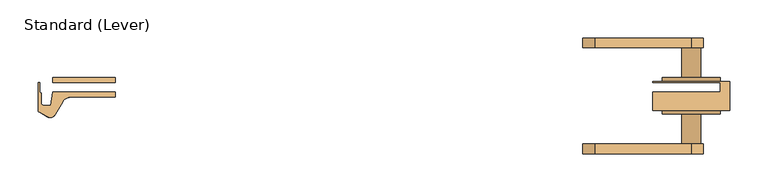
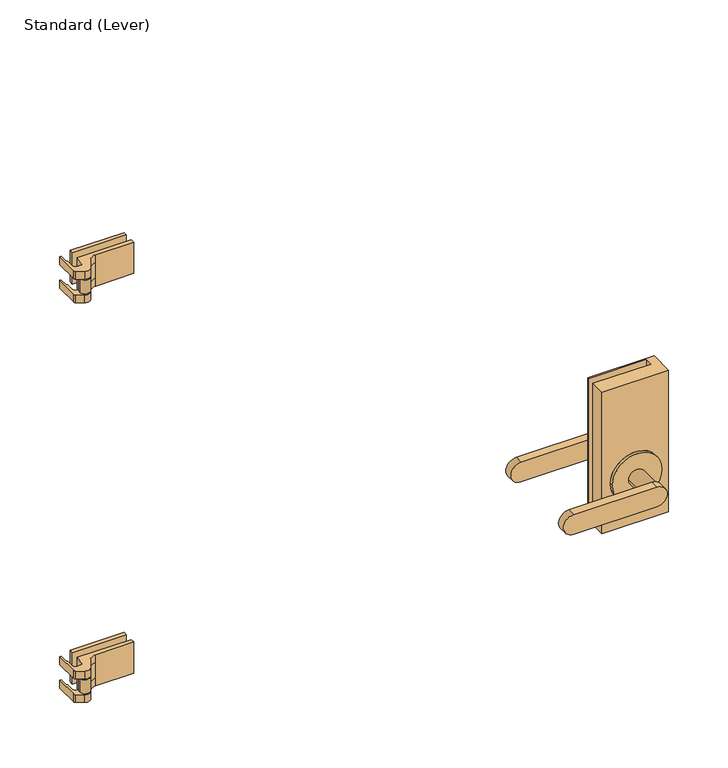
"""IFC4 building model written with IfcOpenShell, lengths in millimetres: door geometry, Standard (Lever)."""

from ifc_helpers import new_model, si_unit, frame, origin, place, context, project, spatial, polyline, circle_curve, outline, extrude, source, transform, mapped, element, save
from ifc_brep_helpers import plane_surface, cylinder_surface, revolved_surface, advanced_brep


def standard_lever_b165e887(model_context):
    return source(origin(), model_context, "Body", "SolidModel", [
        advanced_brep(
        [(452.4375, -29.36875, 1117.6), (452.4375, 8.73125, 1117.6), (350.8375, 8.73125, 1117.6), (350.8375, 7.14375, 1117.6), (439.7375, 7.14375, 1117.6), (439.7375, -5.55625, 1117.6), (350.8375, -5.55625, 1117.6), (350.8375, -29.36875, 1117.6), (452.4375, -29.36875, 889.0), (350.8375, -29.36875, 889.0), (350.8375, -5.55625, 889.0), (439.7375, -5.55625, 889.0), (439.7375, 7.14375, 889.0), (350.8375, 7.14375, 889.0), (350.8375, 8.73125, 889.0), (452.4375, 8.73125, 889.0), (439.7375, -29.36875, 965.2), (363.5375, -29.36875, 965.2), (439.7375, 13.49375, 965.2), (363.5375, 13.49375, 965.2), (388.9375, 13.49375, 965.2), (414.3375, 13.49375, 965.2), (439.7375, 8.73125, 965.2), (363.5375, 8.73125, 965.2), (414.3375, 53.18125, 965.2), (388.9375, 53.18125, 965.2), (274.6375, 65.88125, 949.325), (274.6375, 65.88125, 981.075), (401.6375, 65.88125, 981.075), (401.6375, 65.88125, 949.325), (274.6375, 53.18125, 949.325), (401.6375, 53.18125, 949.325), (401.6375, 53.18125, 981.075), (274.6375, 53.18125, 981.075), (414.3375, -34.13125, 965.2), (414.3375, -73.81875, 965.2), (388.9375, -73.81875, 965.2), (388.9375, -34.13125, 965.2), (439.7375, -34.13125, 965.2), (363.5375, -34.13125, 965.2), (401.6375, -73.81875, 949.325), (274.6375, -73.81875, 949.325), (274.6375, -73.81875, 981.075), (401.6375, -73.81875, 981.075), (401.6375, -86.51875, 949.325), (401.6375, -86.51875, 981.075), (274.6375, -86.51875, 981.075), (274.6375, -86.51875, 949.325)],
        [
            (0, 1),
            (1, 2),
            (2, 3),
            (3, 4),
            (4, 5),
            (5, 6),
            (6, 7),
            (7, 0),
            (8, 9),
            (9, 10),
            (10, 11),
            (11, 12),
            (12, 13),
            (13, 14),
            (14, 15),
            (15, 8),
            (0, 8),
            (15, 1),
            (5, 11),
            (10, 6),
            (9, 7),
            (16, 17, circle_curve(frame((401.6375, -29.36875, 965.2), z_axis=(0.0, 1.0, 0.0), x_axis=(-1.0, 0.0, 0.0)), 38.1)),
            (17, 16, circle_curve(frame((401.6375, -29.36875, 965.2), z_axis=(0.0, 1.0, 0.0), x_axis=(-1.0, 0.0, 0.0)), 38.1)),
            (2, 14),
            (13, 3),
            (12, 4),
            (18, 19, circle_curve(frame((401.6375, 13.49375, 965.2), z_axis=(0.0, 1.0, 0.0), x_axis=(-1.0, 0.0, 0.0)), 38.1)),
            (19, 18, circle_curve(frame((401.6375, 13.49375, 965.2), z_axis=(0.0, 1.0, 0.0), x_axis=(-1.0, 0.0, 0.0)), 38.1)),
            (20, 21, circle_curve(frame((401.6375, 13.49375, 965.2), z_axis=(0.0, -1.0, 0.0), x_axis=(-1.0, 0.0, 0.0)), 12.7)),
            (21, 20, circle_curve(frame((401.6375, 13.49375, 965.2), z_axis=(0.0, -1.0, 0.0), x_axis=(-1.0, 0.0, 0.0)), 12.7)),
            (18, 22),
            (22, 23, circle_curve(frame((401.6375, 8.73125, 965.2), z_axis=(0.0, 1.0, 0.0), x_axis=(-1.0, 0.0, 0.0)), 38.1)),
            (23, 19),
            (23, 22, circle_curve(frame((401.6375, 8.73125, 965.2), z_axis=(0.0, 1.0, 0.0), x_axis=(-1.0, 0.0, 0.0)), 38.1)),
            (24, 21),
            (20, 25),
            (25, 24, circle_curve(frame((401.6375, 53.18125, 965.2), z_axis=(0.0, -1.0, 0.0), x_axis=(-1.0, 0.0, 0.0)), 12.7)),
            (24, 25, circle_curve(frame((401.6375, 53.18125, 965.2), z_axis=(0.0, -1.0, 0.0), x_axis=(-1.0, 0.0, 0.0)), 12.7)),
            (26, 27, circle_curve(frame((274.6375, 65.88125, 965.2), z_axis=(0.0, 1.0, 0.0), x_axis=(-1.0, 0.0, 0.0)), 15.875)),
            (27, 28),
            (28, 29, circle_curve(frame((401.6375, 65.88125, 965.2), z_axis=(0.0, 1.0, 0.0), x_axis=(-1.0, 0.0, 0.0)), 15.875)),
            (29, 26),
            (30, 31),
            (31, 32, circle_curve(frame((401.6375, 53.18125, 965.2), z_axis=(0.0, -1.0, 0.0), x_axis=(-1.0, 0.0, 0.0)), 15.875)),
            (32, 33),
            (33, 30, circle_curve(frame((274.6375, 53.18125, 965.2), z_axis=(0.0, -1.0, 0.0), x_axis=(-1.0, 0.0, 0.0)), 15.875)),
            (26, 30),
            (33, 27),
            (32, 28),
            (31, 29),
            (34, 35),
            (35, 36, circle_curve(frame((401.6375, -73.81875, 965.2), z_axis=(0.0, 1.0, 0.0), x_axis=(-1.0, 0.0, 0.0)), 12.7)),
            (36, 37),
            (37, 34, circle_curve(frame((401.6375, -34.13125, 965.2), z_axis=(0.0, -1.0, 0.0), x_axis=(-1.0, 0.0, 0.0)), 12.7)),
            (34, 37, circle_curve(frame((401.6375, -34.13125, 965.2), z_axis=(0.0, -1.0, 0.0), x_axis=(-1.0, 0.0, 0.0)), 12.7)),
            (36, 35, circle_curve(frame((401.6375, -73.81875, 965.2), z_axis=(0.0, 1.0, 0.0), x_axis=(-1.0, 0.0, 0.0)), 12.7)),
            (38, 39, circle_curve(frame((401.6375, -34.13125, 965.2), z_axis=(0.0, -1.0, 0.0), x_axis=(-1.0, 0.0, 0.0)), 38.1)),
            (39, 38, circle_curve(frame((401.6375, -34.13125, 965.2), z_axis=(0.0, -1.0, 0.0), x_axis=(-1.0, 0.0, 0.0)), 38.1)),
            (39, 17),
            (16, 38),
            (40, 41),
            (41, 42, circle_curve(frame((274.6375, -73.81875, 965.2), z_axis=(0.0, 1.0, 0.0), x_axis=(-1.0, 0.0, 0.0)), 15.875)),
            (42, 43),
            (43, 40, circle_curve(frame((401.6375, -73.81875, 965.2), z_axis=(0.0, 1.0, 0.0), x_axis=(-1.0, 0.0, 0.0)), 15.875)),
            (44, 45, circle_curve(frame((401.6375, -86.51875, 965.2), z_axis=(0.0, -1.0, 0.0), x_axis=(-1.0, 0.0, 0.0)), 15.875)),
            (45, 46),
            (46, 47, circle_curve(frame((274.6375, -86.51875, 965.2), z_axis=(0.0, -1.0, 0.0), x_axis=(-1.0, 0.0, 0.0)), 15.875)),
            (47, 44),
            (40, 44),
            (47, 41),
            (46, 42),
            (45, 43),
        ],
        [
            plane_surface(frame((452.4375, -117.2130478, 1117.6), z_axis=(0.0, 0.0, 1.0), x_axis=(0.0, 1.0, 0.0))),
            plane_surface(frame((452.4375, -117.2130478, 889.0), z_axis=(0.0, 0.0, -1.0), x_axis=(0.0, -1.0, 0.0))),
            plane_surface(frame((452.4375, -29.36875, 1117.6), z_axis=(1.0, 0.0, 0.0), x_axis=(0.0, 0.0, -1.0))),
            plane_surface(frame((439.7375, -5.55625, 1117.6), z_axis=(0.0, 1.0, 0.0), x_axis=(0.0, 0.0, -1.0))),
            plane_surface(frame((350.8375, -5.55625, 1117.6), z_axis=(-1.0, 0.0, 0.0), x_axis=(0.0, 0.0, -1.0))),
            plane_surface(frame((350.8375, -29.36875, 1117.6), z_axis=(0.0, -1.0, 0.0), x_axis=(0.0, 0.0, -1.0))),
            plane_surface(frame((350.8375, 8.73125, 1117.6), z_axis=(-1.0, 0.0, 0.0), x_axis=(0.0, 0.0, -1.0))),
            plane_surface(frame((350.8375, 7.14375, 1117.6), z_axis=(0.0, -1.0, 0.0), x_axis=(0.0, 0.0, -1.0))),
            plane_surface(frame((363.5375, 13.49375, 965.2), z_axis=(0.0, 1.0, 0.0), x_axis=(0.0, 0.0, 1.0))),
            cylinder_surface(frame((401.6375, 8.73125, 965.2), z_axis=(0.0, 1.0, 0.0), x_axis=(-1.0, 0.0, 0.0)), 38.1),
            cylinder_surface(frame((401.6375, 13.49375, 965.2), z_axis=(0.0, 1.0, 0.0), x_axis=(-1.0, 0.0, 0.0)), 12.7),
            plane_surface(frame((258.7625, 65.88125, 965.2), z_axis=(0.0, 1.0, 0.0), x_axis=(0.0, 0.0, 1.0))),
            plane_surface(frame((258.7625, 53.18125, 965.2), z_axis=(0.0, -1.0, 0.0), x_axis=(0.0, 0.0, -1.0))),
            cylinder_surface(frame((274.6375, 53.18125, 965.2), z_axis=(0.0, 1.0, 0.0), x_axis=(-1.0, 0.0, 0.0)), 15.875),
            plane_surface(frame((274.6375, 65.88125, 981.075), z_axis=(0.0, 0.0, 1.0), x_axis=(0.0, -1.0, 0.0))),
            cylinder_surface(frame((401.6375, 53.18125, 965.2), z_axis=(0.0, 1.0, 0.0), x_axis=(-1.0, 0.0, 0.0)), 15.875),
            plane_surface(frame((401.6375, 65.88125, 949.325), z_axis=(0.0, 0.0, -1.0), x_axis=(0.0, -1.0, 0.0))),
            cylinder_surface(frame((401.6375, -73.81875, 965.2), z_axis=(0.0, 1.0, 0.0), x_axis=(-1.0, 0.0, 0.0)), 12.7),
            plane_surface(frame((363.5375, -34.13125, 965.2), z_axis=(0.0, -1.0, 0.0), x_axis=(0.0, 0.0, -1.0))),
            cylinder_surface(frame((401.6375, -34.13125, 965.2), z_axis=(0.0, 1.0, 0.0), x_axis=(-1.0, 0.0, 0.0)), 38.1),
            plane_surface(frame((401.6375, -73.81875, 949.325), z_axis=(0.0, 1.0, 0.0), x_axis=(-1.0, 0.0, 0.0))),
            plane_surface(frame((401.6375, -86.51875, 949.325), z_axis=(0.0, -1.0, 0.0), x_axis=(1.0, 0.0, 0.0))),
            plane_surface(frame((401.6375, -73.81875, 949.325), z_axis=(0.0, 0.0, -1.0), x_axis=(0.0, -1.0, 0.0))),
            cylinder_surface(frame((274.6375, -86.51875, 965.2), z_axis=(0.0, 1.0, 0.0), x_axis=(-1.0, 0.0, 0.0)), 15.875),
            plane_surface(frame((274.6375, -73.81875, 981.075), z_axis=(0.0, 0.0, 1.0), x_axis=(0.0, -1.0, 0.0))),
            cylinder_surface(frame((401.6375, -86.51875, 965.2), z_axis=(0.0, 1.0, 0.0), x_axis=(-1.0, 0.0, 0.0)), 15.875),
            plane_surface(frame((452.4375, 8.73125, 1117.6), z_axis=(0.0, 1.0, 0.0), x_axis=(0.0, 0.0, -1.0))),
            plane_surface(frame((439.7375, 7.14375, 1117.6), z_axis=(-1.0, 0.0, 0.0), x_axis=(0.0, 0.0, -1.0))),
        ],
        [
            (0, [[1, 2, 3, 4, 5, 6, 7, 8]]),
            (1, [[9, 10, 11, 12, 13, 14, 15, 16]]),
            (2, [[-1, 17, -16, 18]]),
            (3, [[-6, 19, -11, 20]]),
            (4, [[-7, -20, -10, 21]]),
            (5, [[-8, -21, -9, -17], [22, 23]]),
            (6, [[-3, 24, -14, 25]]),
            (7, [[-4, -25, -13, 26]]),
            (8, [[27, 28], [29, 30]]),
            (9, [[-27, 31, 32, 33]]),
            (9, [[-28, -33, 34, -31]]),
            (10, [[35, -29, 36, 37]]),
            (10, [[-35, 38, -36, -30]]),
            (11, [[39, 40, 41, 42]]),
            (12, [[43, 44, 45, 46], [-37, -38]]),
            (13, [[-39, 47, -46, 48]]),
            (14, [[-40, -48, -45, 49]]),
            (15, [[-41, -49, -44, 50]]),
            (16, [[-42, -50, -43, -47]]),
            (17, [[51, 52, 53, 54]]),
            (17, [[-51, 55, -53, 56]]),
            (18, [[57, 58], [-54, -55]]),
            (19, [[-58, 59, -22, 60]]),
            (19, [[-57, -60, -23, -59]]),
            (20, [[61, 62, 63, 64], [-52, -56]]),
            (21, [[65, 66, 67, 68]]),
            (22, [[-61, 69, -68, 70]]),
            (23, [[-62, -70, -67, 71]]),
            (24, [[-63, -71, -66, 72]]),
            (25, [[-64, -72, -65, -69]]),
            (26, [[-2, -18, -15, -24], [-32, -34]]),
            (27, [[-5, -26, -12, -19]]),
        ],
    ),
        advanced_brep(
        [(-440.3328125, -23.0182831, 1597.025), (-450.0245, -23.0182831, 1597.025), (-453.1995, -19.8432831, 1597.025), (-453.1995, -6.710628, 1597.025), (-455.19975, -5.5557831, 1597.025), (-455.19975, 7.1442169, 1597.025), (-457.2, 7.1442169, 1597.025), (-457.2, -29.122696, 1597.025), (-455.6125, -31.8723266, 1597.025), (-445.29375, -37.8298597, 1597.025), (-434.4509234, -34.9245331, 1597.025), (-424.8274856, -18.25625, 1597.025), (-413.828963, -11.90625, 1597.025), (-355.6, -11.90625, 1597.025), (-355.6, -5.55625, 1597.025), (-438.1500584, -5.55625, 1597.025), (-440.3404743, -23.0795774, 1584.325), (-434.4509234, -34.9245331, 1584.325), (-445.29375, -37.8298597, 1584.325), (-455.6125, -31.8723266, 1584.325), (-457.2, -29.122696, 1584.325), (-457.2, 7.1442169, 1584.325), (-455.19975, 7.1442169, 1584.325), (-455.19975, -5.5557831, 1584.325), (-453.1995, -6.710628, 1584.325), (-453.1995, -19.8432831, 1584.325), (-450.0245, -23.0182831, 1584.325), (-438.1500584, -5.55625, 1546.225), (-440.3328125, -23.0182831, 1546.225), (-440.3328125, -23.0182831, 1558.925), (-440.3404743, -23.0795774, 1560.5125), (-440.3404743, -23.0795774, 1582.7375), (-355.6, -5.55625, 1546.225), (-355.6, -11.90625, 1546.225), (-413.828963, -11.90625, 1584.325), (-413.828963, -11.90625, 1558.925), (-413.828963, -11.90625, 1546.225), (-424.8274856, -18.25625, 1584.325), (-434.4509234, -34.9245331, 1582.7375), (-434.4509234, -34.9245331, 1560.5125), (-434.4509234, -34.9245331, 1558.925), (-434.4509234, -34.9245331, 1546.225), (-424.8274856, -18.25625, 1546.225), (-424.8274856, -18.25625, 1558.925), (-433.3875, -30.9557831, 1582.7375), (-433.3875, -30.9557831, 1560.5125), (-450.0245, -23.0182831, 1558.925), (-453.1995, -19.8432831, 1558.925), (-453.1995, -6.710628, 1558.925), (-455.19975, -5.5557831, 1558.925), (-455.19975, 7.1442169, 1558.925), (-457.2, 7.1442169, 1558.925), (-457.2, -29.122696, 1558.925), (-455.6125, -31.8723266, 1558.925), (-445.29375, -37.8298597, 1558.925), (-445.29375, -37.8298597, 1546.225), (-455.6125, -31.8723266, 1546.225), (-457.2, -29.122696, 1546.225), (-457.2, 7.1442169, 1546.225), (-455.19975, 7.1442169, 1546.225), (-455.19975, -5.5557831, 1546.225), (-453.1995, -6.710628, 1546.225), (-453.1995, -19.8432831, 1546.225), (-450.0245, -23.0182831, 1546.225), (-449.2625, -30.9557831, 1582.7375), (-444.5, -30.9557831, 1582.7375), (-438.15, -30.9557831, 1582.7375), (-449.2625, -30.9557831, 1560.5125), (-444.5, -30.9557831, 1560.5125), (-438.15, -30.9557831, 1560.5125)],
        [
            (0, 1),
            (1, 2, circle_curve(frame((-450.0245, -19.8432831, 1597.025), z_axis=(0.0, 0.0, -1.0), x_axis=(-1.0, 0.0, 0.0)), 3.175)),
            (2, 3),
            (3, 4),
            (4, 5),
            (5, 6),
            (6, 7),
            (7, 8, circle_curve(frame((-454.025, -29.122696, 1597.025), z_axis=(0.0, 0.0, 1.0), x_axis=(-0.5000000000000575, -0.8660254037844055, 0.0)), 3.175)),
            (8, 9),
            (9, 10, circle_curve(frame((-441.325, -30.9557831, 1597.025), z_axis=(0.0, 0.0, 1.0), x_axis=(0.0, 1.0, 0.0)), 7.9375)),
            (10, 11),
            (11, 12, circle_curve(frame((-413.828963, -24.60625, 1597.025), z_axis=(0.0, 0.0, -1.0), x_axis=(0.0, 1.0, 0.0)), 12.7)),
            (12, 13),
            (13, 14),
            (14, 15),
            (15, 0),
            (16, 17, circle_curve(frame((-441.325, -30.9557831, 1584.325), z_axis=(0.0, 0.0, -1.0), x_axis=(0.0, 1.0, 0.0)), 7.9375)),
            (17, 18, circle_curve(frame((-441.325, -30.9557831, 1584.325), z_axis=(0.0, 0.0, -1.0), x_axis=(0.0, 1.0, 0.0)), 7.9375)),
            (18, 19),
            (19, 20, circle_curve(frame((-454.025, -29.122696, 1584.325), z_axis=(0.0, 0.0, -1.0), x_axis=(-0.5000000000000575, -0.8660254037844055, 0.0)), 3.175)),
            (20, 21),
            (21, 22),
            (22, 23),
            (23, 24),
            (24, 25),
            (25, 26, circle_curve(frame((-450.0245, -19.8432831, 1584.325), z_axis=(0.0, 0.0, 1.0), x_axis=(-1.0, 0.0, 0.0)), 3.175)),
            (26, 16),
            (8, 19),
            (18, 9),
            (7, 20),
            (6, 21),
            (5, 22),
            (4, 23),
            (3, 24),
            (2, 25),
            (1, 26),
            (0, 16),
            (15, 27),
            (27, 28),
            (28, 29),
            (29, 30),
            (30, 31),
            (31, 16),
            (14, 32),
            (32, 27),
            (13, 33),
            (33, 32),
            (12, 34),
            (34, 35),
            (35, 36),
            (36, 33),
            (11, 37),
            (37, 34, circle_curve(frame((-413.828963, -24.60625, 1584.325), z_axis=(0.0, 0.0, -1.0), x_axis=(0.0, 1.0, 0.0)), 12.7)),
            (10, 17),
            (17, 38),
            (38, 39),
            (39, 40),
            (40, 41),
            (41, 42),
            (42, 43),
            (43, 37),
            (43, 35, circle_curve(frame((-413.828963, -24.60625, 1558.925), z_axis=(0.0, 0.0, -1.0), x_axis=(0.0, 1.0, 0.0)), 12.7)),
            (31, 44, circle_curve(frame((-441.325, -30.9557831, 1582.7375), z_axis=(0.0, 0.0, -1.0), x_axis=(0.0, 1.0, 0.0)), 7.9375)),
            (44, 38, circle_curve(frame((-441.325, -30.9557831, 1582.7375), z_axis=(0.0, 0.0, -1.0), x_axis=(0.0, 1.0, 0.0)), 7.9375)),
            (39, 45, circle_curve(frame((-441.325, -30.9557831, 1560.5125), z_axis=(0.0, 0.0, 1.0), x_axis=(0.0, 1.0, 0.0)), 7.9375)),
            (45, 30, circle_curve(frame((-441.325, -30.9557831, 1560.5125), z_axis=(0.0, 0.0, 1.0), x_axis=(0.0, 1.0, 0.0)), 7.9375)),
            (29, 40, circle_curve(frame((-441.325, -30.9557831, 1558.925), z_axis=(0.0, 0.0, -1.0), x_axis=(0.0, 1.0, 0.0)), 7.9375)),
            (29, 46),
            (46, 47, circle_curve(frame((-450.0245, -19.8432831, 1558.925), z_axis=(0.0, 0.0, -1.0), x_axis=(-1.0, 0.0, 0.0)), 3.175)),
            (47, 48),
            (48, 49),
            (49, 50),
            (50, 51),
            (51, 52),
            (52, 53, circle_curve(frame((-454.025, -29.122696, 1558.925), z_axis=(0.0, 0.0, 1.0), x_axis=(-0.5000000000000575, -0.8660254037844055, 0.0)), 3.175)),
            (53, 54),
            (54, 40, circle_curve(frame((-441.325, -30.9557831, 1558.925), z_axis=(0.0, 0.0, 1.0), x_axis=(0.0, 1.0, 0.0)), 7.9375)),
            (36, 42, circle_curve(frame((-413.828963, -24.60625, 1546.225), z_axis=(0.0, 0.0, 1.0), x_axis=(0.0, 1.0, 0.0)), 12.7)),
            (41, 55, circle_curve(frame((-441.325, -30.9557831, 1546.225), z_axis=(0.0, 0.0, -1.0), x_axis=(0.0, 1.0, 0.0)), 7.9375)),
            (55, 56),
            (56, 57, circle_curve(frame((-454.025, -29.122696, 1546.225), z_axis=(0.0, 0.0, -1.0), x_axis=(-0.5000000000000575, -0.8660254037844055, 0.0)), 3.175)),
            (57, 58),
            (58, 59),
            (59, 60),
            (60, 61),
            (61, 62),
            (62, 63, circle_curve(frame((-450.0245, -19.8432831, 1546.225), z_axis=(0.0, 0.0, 1.0), x_axis=(-1.0, 0.0, 0.0)), 3.175)),
            (63, 28),
            (54, 55),
            (53, 56),
            (52, 57),
            (51, 58),
            (50, 59),
            (49, 60),
            (48, 61),
            (47, 62),
            (46, 63),
            (64, 38, circle_curve(frame((-441.325, -30.9557831, 1582.7375), z_axis=(0.0, 0.0, 1.0), x_axis=(1.0, 0.0, 0.0)), 7.9375)),
            (31, 64, circle_curve(frame((-441.325, -30.9557831, 1582.7375), z_axis=(0.0, 0.0, 1.0), x_axis=(1.0, 0.0, 0.0)), 7.9375)),
            (65, 66, circle_curve(frame((-441.325, -30.9557831, 1582.7375), z_axis=(0.0, 0.0, -1.0), x_axis=(1.0, 0.0, 0.0)), 3.175)),
            (66, 65, circle_curve(frame((-441.325, -30.9557831, 1582.7375), z_axis=(0.0, 0.0, -1.0), x_axis=(1.0, 0.0, 0.0)), 3.175)),
            (39, 67, circle_curve(frame((-441.325, -30.9557831, 1560.5125), z_axis=(0.0, 0.0, -1.0), x_axis=(1.0, 0.0, 0.0)), 7.9375)),
            (67, 30, circle_curve(frame((-441.325, -30.9557831, 1560.5125), z_axis=(0.0, 0.0, -1.0), x_axis=(1.0, 0.0, 0.0)), 7.9375)),
            (68, 69, circle_curve(frame((-441.325, -30.9557831, 1560.5125), z_axis=(0.0, 0.0, 1.0), x_axis=(1.0, 0.0, 0.0)), 3.175)),
            (69, 68, circle_curve(frame((-441.325, -30.9557831, 1560.5125), z_axis=(0.0, 0.0, 1.0), x_axis=(1.0, 0.0, 0.0)), 3.175)),
            (66, 69),
            (68, 65),
            (67, 64),
        ],
        [
            plane_surface(frame((-440.3328125, -23.0182831, 1597.025), z_axis=(0.0, 0.0, 1.0), x_axis=(0.12403473458190235, 0.9922778767145809, 0.0))),
            plane_surface(frame((-440.3328125, -23.0182831, 1584.325), z_axis=(0.0, 0.0, -1.0), x_axis=(-0.12403473458190235, -0.9922778767145809, 0.0))),
            plane_surface(frame((-445.29375, -37.8298597, 1597.025), z_axis=(-0.5000000000001321, -0.8660254037843624, 0.0), x_axis=(0.0, 0.0, -1.0))),
            cylinder_surface(frame((-454.025, -29.122696, 1584.325), z_axis=(0.0, 0.0, 1.0), x_axis=(-0.5000000000000575, -0.8660254037844055, 0.0)), 3.175),
            plane_surface(frame((-457.2, -29.122696, 1597.025), z_axis=(-1.0, 0.0, 0.0), x_axis=(0.0, 0.0, -1.0))),
            plane_surface(frame((-457.2, 7.1442169, 1597.025), z_axis=(0.0, 1.0, 0.0), x_axis=(0.0, 0.0, -1.0))),
            plane_surface(frame((-455.19975, 7.1442169, 1597.025), z_axis=(1.0, 0.0, 0.0), x_axis=(0.0, 0.0, -1.0))),
            plane_surface(frame((-455.19975, -5.5557831, 1597.025), z_axis=(0.4999999999997088, 0.8660254037846068, 0.0), x_axis=(0.0, 0.0, -1.0))),
            plane_surface(frame((-453.1995, -6.710628, 1597.025), z_axis=(1.0, 0.0, 0.0), x_axis=(0.0, 0.0, -1.0))),
            revolved_surface(polyline([(-453.1995, -19.8432831, 1584.325), (-453.1995, -19.8432831, 1597.025)]), (-450.0245, -19.8432831, 1584.325), (0.0, 0.0, -1.0)),
            plane_surface(frame((-450.0245, -23.0182831, 1597.025), z_axis=(0.0, 1.0, 0.0), x_axis=(0.0, 0.0, -1.0))),
            plane_surface(frame((-440.3328125, -23.0182831, 1597.025), z_axis=(-0.9922778767145809, 0.12403473458190235, 0.0), x_axis=(0.0, 0.0, -1.0))),
            plane_surface(frame((-438.1500584, -5.55625, 1597.025), z_axis=(0.0, 1.0, 0.0), x_axis=(0.0, 0.0, -1.0))),
            plane_surface(frame((-355.6, -5.55625, 1597.025), z_axis=(1.0, 0.0, 0.0), x_axis=(0.0, 0.0, -1.0))),
            plane_surface(frame((-355.6, -11.90625, 1597.025), z_axis=(0.0, -1.0, 0.0), x_axis=(0.0, 0.0, -1.0))),
            revolved_surface(polyline([(-413.828963, -11.90625, 1584.325), (-413.828963, -11.90625, 1597.025)]), (-413.828963, -24.60625, 1584.325), (0.0, 0.0, -1.0)),
            plane_surface(frame((-424.8274856, -18.25625, 1597.025), z_axis=(0.8660254037845987, -0.49999999999972294, 0.0), x_axis=(0.0, 0.0, -1.0))),
            cylinder_surface(frame((-441.325, -30.9557831, 1584.325), z_axis=(0.0, 0.0, 1.0), x_axis=(0.0, 1.0, 0.0)), 7.9375),
            revolved_surface(polyline([(-413.828963, -11.90625, 1558.925), (-413.828963, -11.90625, 1584.325)]), (-413.828963, -24.60625, 1558.925), (0.0, 0.0, -1.0)),
            revolved_surface(polyline([(-441.325, -23.0182831, 1582.7375), (-441.325, -23.0182831, 1584.325)]), (-441.325, -30.9557831, 1558.925), (0.0, 0.0, -1.0)),
            revolved_surface(polyline([(-441.325, -23.0182831, 1558.925), (-441.325, -23.0182831, 1560.5125)]), (-441.325, -30.9557831, 1558.925), (0.0, 0.0, -1.0)),
            plane_surface(frame((-440.3404743, -23.0795774, 1558.925), z_axis=(0.0, 0.0, 1.0), x_axis=(0.1240347345819024, 0.9922778767145809, 0.0))),
            plane_surface(frame((-440.3404743, -23.0795774, 1546.225), z_axis=(0.0, 0.0, -1.0), x_axis=(-0.1240347345819024, -0.9922778767145809, 0.0))),
            cylinder_surface(frame((-441.325, -30.9557831, 1546.225), z_axis=(0.0, 0.0, 1.0), x_axis=(0.0, 1.0, 0.0)), 7.9375),
            plane_surface(frame((-445.29375, -37.8298597, 1558.925), z_axis=(-0.500000000000132, -0.8660254037843624, 0.0), x_axis=(0.0, 0.0, -1.0))),
            cylinder_surface(frame((-454.025, -29.122696, 1546.225), z_axis=(0.0, 0.0, 1.0), x_axis=(-0.5000000000000575, -0.8660254037844055, 0.0)), 3.175),
            plane_surface(frame((-457.2, -29.122696, 1558.925), z_axis=(-1.0, 0.0, 0.0), x_axis=(0.0, 0.0, -1.0))),
            plane_surface(frame((-457.2, 7.1442169, 1558.925), z_axis=(0.0, 1.0, 0.0), x_axis=(0.0, 0.0, -1.0))),
            plane_surface(frame((-455.19975, 7.1442169, 1558.925), z_axis=(1.0, 0.0, 0.0), x_axis=(0.0, 0.0, -1.0))),
            plane_surface(frame((-455.19975, -5.5557831, 1558.925), z_axis=(0.4999999999997088, 0.8660254037846068, 0.0), x_axis=(0.0, 0.0, -1.0))),
            plane_surface(frame((-453.1995, -6.710628, 1558.925), z_axis=(1.0, 0.0, 0.0), x_axis=(0.0, 0.0, -1.0))),
            revolved_surface(polyline([(-453.1995, -19.8432831, 1546.225), (-453.1995, -19.8432831, 1558.925)]), (-450.0245, -19.8432831, 1546.225), (0.0, 0.0, -1.0)),
            plane_surface(frame((-450.0245, -23.0182831, 1558.925), z_axis=(0.0, 1.0, 0.0), x_axis=(0.0, 0.0, -1.0))),
            revolved_surface(polyline([(-413.828963, -11.90625, 1546.225), (-413.828963, -11.90625, 1558.925)]), (-413.828963, -24.60625, 1546.225), (0.0, 0.0, -1.0)),
            plane_surface(frame((-438.15, -30.9557831, 1582.7375), z_axis=(0.0, 0.0, 1.0), x_axis=(0.0, 1.0, 0.0))),
            plane_surface(frame((-438.15, -30.9557831, 1560.5125), z_axis=(0.0, 0.0, -1.0), x_axis=(0.0, -1.0, 0.0))),
            revolved_surface(polyline([(-438.15, -30.9557831, 1560.5125), (-438.15, -30.9557831, 1582.7375)]), (-441.325, -30.9557831, 1560.5125), (0.0, 0.0, -1.0)),
            cylinder_surface(frame((-441.325, -30.9557831, 1546.225), z_axis=(0.0, 0.0, 1.0), x_axis=(1.0, 0.0, 0.0)), 7.9375),
        ],
        [
            (0, [[1, 2, 3, 4, 5, 6, 7, 8, 9, 10, 11, 12, 13, 14, 15, 16]]),
            (1, [[17, 18, 19, 20, 21, 22, 23, 24, 25, 26, 27]]),
            (2, [[28, -19, 29, -9]]),
            (3, [[30, -20, -28, -8]]),
            (4, [[31, -21, -30, -7]]),
            (5, [[32, -22, -31, -6]]),
            (6, [[33, -23, -32, -5]]),
            (7, [[34, -24, -33, -4]]),
            (8, [[35, -25, -34, -3]]),
            (9, [[36, -26, -35, -2]]),
            (10, [[37, -27, -36, -1]]),
            (11, [[38, 39, 40, 41, 42, 43, -37, -16]]),
            (12, [[44, 45, -38, -15]]),
            (13, [[46, 47, -44, -14]]),
            (14, [[48, 49, 50, 51, -46, -13]]),
            (15, [[52, 53, -48, -12]]),
            (16, [[54, 55, 56, 57, 58, 59, 60, 61, -52, -11]]),
            (17, [[-29, -18, -54, -10]]),
            (18, [[-53, -61, 62, -49]]),
            (19, [[-43, 63, 64, -55, -17]]),
            (20, [[-57, 65, 66, -41, 67]]),
            (21, [[-67, 68, 69, 70, 71, 72, 73, 74, 75, 76, 77]]),
            (22, [[-39, -45, -47, -51, 78, -59, 79, 80, 81, 82, 83, 84, 85, 86, 87, 88]]),
            (23, [[89, -79, -58, -77]]),
            (24, [[90, -80, -89, -76]]),
            (25, [[91, -81, -90, -75]]),
            (26, [[92, -82, -91, -74]]),
            (27, [[93, -83, -92, -73]]),
            (28, [[94, -84, -93, -72]]),
            (29, [[95, -85, -94, -71]]),
            (30, [[96, -86, -95, -70]]),
            (31, [[97, -87, -96, -69]]),
            (32, [[-40, -88, -97, -68]]),
            (33, [[-50, -62, -60, -78]]),
            (34, [[98, -64, -63, 99], [100, 101]]),
            (35, [[-66, -65, 102, 103], [104, 105]]),
            (36, [[106, -104, 107, -101]]),
            (36, [[-107, -105, -106, -100]]),
            (37, [[-99, -42, -103, 108]]),
            (37, [[-102, -56, -98, -108]]),
        ],
    ),
        extrude(outline(polyline([(-355.6, 13.49375), (-355.6, 7.14375), (-438.15, 7.14375), (-438.15, 13.49375), (-355.6, 13.49375)])), frame((0.0, 0.0, 1546.225), z_axis=(0.0, 0.0, 1.0), x_axis=(1.0, 0.0, 0.0)), (0.0, 0.0, 1.0), 50.8),
        advanced_brep(
        [(-440.3328125, -23.0182831, 950.9125), (-450.0245, -23.0182831, 950.9125), (-453.1995, -19.8432831, 950.9125), (-453.1995, -6.710628, 950.9125), (-455.19975, -5.5557831, 950.9125), (-455.19975, 7.1442169, 950.9125), (-457.2, 7.1442169, 950.9125), (-457.2, -29.122696, 950.9125), (-455.6125, -31.8723266, 950.9125), (-445.29375, -37.8298597, 950.9125), (-434.4509234, -34.9245331, 950.9125), (-424.8274856, -18.25625, 950.9125), (-413.828963, -11.90625, 950.9125), (-355.6, -11.90625, 950.9125), (-355.6, -5.55625, 950.9125), (-438.1500584, -5.55625, 950.9125), (-440.3404743, -23.0795774, 938.2125), (-434.4509234, -34.9245331, 938.2125), (-445.29375, -37.8298597, 938.2125), (-455.6125, -31.8723266, 938.2125), (-457.2, -29.122696, 938.2125), (-457.2, 7.1442169, 938.2125), (-455.19975, 7.1442169, 938.2125), (-455.19975, -5.5557831, 938.2125), (-453.1995, -6.710628, 938.2125), (-453.1995, -19.8432831, 938.2125), (-450.0245, -23.0182831, 938.2125), (-438.1500584, -5.55625, 900.1125), (-440.3328125, -23.0182831, 900.1125), (-440.3328125, -23.0182831, 912.8125), (-440.3404743, -23.0795774, 914.4), (-440.3404743, -23.0795774, 936.625), (-355.6, -5.55625, 900.1125), (-355.6, -11.90625, 900.1125), (-413.828963, -11.90625, 938.2125), (-413.828963, -11.90625, 912.8125), (-413.828963, -11.90625, 900.1125), (-424.8274856, -18.25625, 938.2125), (-434.4509234, -34.9245331, 936.625), (-434.4509234, -34.9245331, 914.4), (-434.4509234, -34.9245331, 912.8125), (-434.4509234, -34.9245331, 900.1125), (-424.8274856, -18.25625, 900.1125), (-424.8274856, -18.25625, 912.8125), (-433.3875, -30.9557831, 936.625), (-433.3875, -30.9557831, 914.4), (-450.0245, -23.0182831, 912.8125), (-453.1995, -19.8432831, 912.8125), (-453.1995, -6.710628, 912.8125), (-455.19975, -5.5557831, 912.8125), (-455.19975, 7.1442169, 912.8125), (-457.2, 7.1442169, 912.8125), (-457.2, -29.122696, 912.8125), (-455.6125, -31.8723266, 912.8125), (-445.29375, -37.8298597, 912.8125), (-445.29375, -37.8298597, 900.1125), (-455.6125, -31.8723266, 900.1125), (-457.2, -29.122696, 900.1125), (-457.2, 7.1442169, 900.1125), (-455.19975, 7.1442169, 900.1125), (-455.19975, -5.5557831, 900.1125), (-453.1995, -6.710628, 900.1125), (-453.1995, -19.8432831, 900.1125), (-450.0245, -23.0182831, 900.1125), (-449.2625, -30.9557831, 936.625), (-444.5, -30.9557831, 936.625), (-438.15, -30.9557831, 936.625), (-449.2625, -30.9557831, 914.4), (-444.5, -30.9557831, 914.4), (-438.15, -30.9557831, 914.4)],
        [
            (0, 1),
            (1, 2, circle_curve(frame((-450.0245, -19.8432831, 950.9125), z_axis=(0.0, 0.0, -1.0), x_axis=(-1.0, 0.0, 0.0)), 3.175)),
            (2, 3),
            (3, 4),
            (4, 5),
            (5, 6),
            (6, 7),
            (7, 8, circle_curve(frame((-454.025, -29.122696, 950.9125), z_axis=(0.0, 0.0, 1.0), x_axis=(-0.5000000000000575, -0.8660254037844055, 0.0)), 3.175)),
            (8, 9),
            (9, 10, circle_curve(frame((-441.325, -30.9557831, 950.9125), z_axis=(0.0, 0.0, 1.0), x_axis=(0.0, 1.0, 0.0)), 7.9375)),
            (10, 11),
            (11, 12, circle_curve(frame((-413.828963, -24.60625, 950.9125), z_axis=(0.0, 0.0, -1.0), x_axis=(0.0, 1.0, 0.0)), 12.7)),
            (12, 13),
            (13, 14),
            (14, 15),
            (15, 0),
            (16, 17, circle_curve(frame((-441.325, -30.9557831, 938.2125), z_axis=(0.0, 0.0, -1.0), x_axis=(0.0, 1.0, 0.0)), 7.9375)),
            (17, 18, circle_curve(frame((-441.325, -30.9557831, 938.2125), z_axis=(0.0, 0.0, -1.0), x_axis=(0.0, 1.0, 0.0)), 7.9375)),
            (18, 19),
            (19, 20, circle_curve(frame((-454.025, -29.122696, 938.2125), z_axis=(0.0, 0.0, -1.0), x_axis=(-0.5000000000000575, -0.8660254037844055, 0.0)), 3.175)),
            (20, 21),
            (21, 22),
            (22, 23),
            (23, 24),
            (24, 25),
            (25, 26, circle_curve(frame((-450.0245, -19.8432831, 938.2125), z_axis=(0.0, 0.0, 1.0), x_axis=(-1.0, 0.0, 0.0)), 3.175)),
            (26, 16),
            (8, 19),
            (18, 9),
            (7, 20),
            (6, 21),
            (5, 22),
            (4, 23),
            (3, 24),
            (2, 25),
            (1, 26),
            (0, 16),
            (15, 27),
            (27, 28),
            (28, 29),
            (29, 30),
            (30, 31),
            (31, 16),
            (14, 32),
            (32, 27),
            (13, 33),
            (33, 32),
            (12, 34),
            (34, 35),
            (35, 36),
            (36, 33),
            (11, 37),
            (37, 34, circle_curve(frame((-413.828963, -24.60625, 938.2125), z_axis=(0.0, 0.0, -1.0), x_axis=(0.0, 1.0, 0.0)), 12.7)),
            (10, 17),
            (17, 38),
            (38, 39),
            (39, 40),
            (40, 41),
            (41, 42),
            (42, 43),
            (43, 37),
            (43, 35, circle_curve(frame((-413.828963, -24.60625, 912.8125), z_axis=(0.0, 0.0, -1.0), x_axis=(0.0, 1.0, 0.0)), 12.7)),
            (31, 44, circle_curve(frame((-441.325, -30.9557831, 936.625), z_axis=(0.0, 0.0, -1.0), x_axis=(0.0, 1.0, 0.0)), 7.9375)),
            (44, 38, circle_curve(frame((-441.325, -30.9557831, 936.625), z_axis=(0.0, 0.0, -1.0), x_axis=(0.0, 1.0, 0.0)), 7.9375)),
            (39, 45, circle_curve(frame((-441.325, -30.9557831, 914.4), z_axis=(0.0, 0.0, 1.0), x_axis=(0.0, 1.0, 0.0)), 7.9375)),
            (45, 30, circle_curve(frame((-441.325, -30.9557831, 914.4), z_axis=(0.0, 0.0, 1.0), x_axis=(0.0, 1.0, 0.0)), 7.9375)),
            (29, 40, circle_curve(frame((-441.325, -30.9557831, 912.8125), z_axis=(0.0, 0.0, -1.0), x_axis=(0.0, 1.0, 0.0)), 7.9375)),
            (29, 46),
            (46, 47, circle_curve(frame((-450.0245, -19.8432831, 912.8125), z_axis=(0.0, 0.0, -1.0), x_axis=(-1.0, 0.0, 0.0)), 3.175)),
            (47, 48),
            (48, 49),
            (49, 50),
            (50, 51),
            (51, 52),
            (52, 53, circle_curve(frame((-454.025, -29.122696, 912.8125), z_axis=(0.0, 0.0, 1.0), x_axis=(-0.5000000000000575, -0.8660254037844055, 0.0)), 3.175)),
            (53, 54),
            (54, 40, circle_curve(frame((-441.325, -30.9557831, 912.8125), z_axis=(0.0, 0.0, 1.0), x_axis=(0.0, 1.0, 0.0)), 7.9375)),
            (36, 42, circle_curve(frame((-413.828963, -24.60625, 900.1125), z_axis=(0.0, 0.0, 1.0), x_axis=(0.0, 1.0, 0.0)), 12.7)),
            (41, 55, circle_curve(frame((-441.325, -30.9557831, 900.1125), z_axis=(0.0, 0.0, -1.0), x_axis=(0.0, 1.0, 0.0)), 7.9375)),
            (55, 56),
            (56, 57, circle_curve(frame((-454.025, -29.122696, 900.1125), z_axis=(0.0, 0.0, -1.0), x_axis=(-0.5000000000000575, -0.8660254037844055, 0.0)), 3.175)),
            (57, 58),
            (58, 59),
            (59, 60),
            (60, 61),
            (61, 62),
            (62, 63, circle_curve(frame((-450.0245, -19.8432831, 900.1125), z_axis=(0.0, 0.0, 1.0), x_axis=(-1.0, 0.0, 0.0)), 3.175)),
            (63, 28),
            (54, 55),
            (53, 56),
            (52, 57),
            (51, 58),
            (50, 59),
            (49, 60),
            (48, 61),
            (47, 62),
            (46, 63),
            (64, 38, circle_curve(frame((-441.325, -30.9557831, 936.625), z_axis=(0.0, 0.0, 1.0), x_axis=(1.0, 0.0, 0.0)), 7.9375)),
            (31, 64, circle_curve(frame((-441.325, -30.9557831, 936.625), z_axis=(0.0, 0.0, 1.0), x_axis=(1.0, 0.0, 0.0)), 7.9375)),
            (65, 66, circle_curve(frame((-441.325, -30.9557831, 936.625), z_axis=(0.0, 0.0, -1.0), x_axis=(1.0, 0.0, 0.0)), 3.175)),
            (66, 65, circle_curve(frame((-441.325, -30.9557831, 936.625), z_axis=(0.0, 0.0, -1.0), x_axis=(1.0, 0.0, 0.0)), 3.175)),
            (39, 67, circle_curve(frame((-441.325, -30.9557831, 914.4), z_axis=(0.0, 0.0, -1.0), x_axis=(1.0, 0.0, 0.0)), 7.9375)),
            (67, 30, circle_curve(frame((-441.325, -30.9557831, 914.4), z_axis=(0.0, 0.0, -1.0), x_axis=(1.0, 0.0, 0.0)), 7.9375)),
            (68, 69, circle_curve(frame((-441.325, -30.9557831, 914.4), z_axis=(0.0, 0.0, 1.0), x_axis=(1.0, 0.0, 0.0)), 3.175)),
            (69, 68, circle_curve(frame((-441.325, -30.9557831, 914.4), z_axis=(0.0, 0.0, 1.0), x_axis=(1.0, 0.0, 0.0)), 3.175)),
            (66, 69),
            (68, 65),
            (67, 64),
        ],
        [
            plane_surface(frame((-440.3328125, -23.0182831, 950.9125), z_axis=(0.0, 0.0, 1.0), x_axis=(0.12403473458190235, 0.9922778767145809, 0.0))),
            plane_surface(frame((-440.3328125, -23.0182831, 938.2125), z_axis=(0.0, 0.0, -1.0), x_axis=(-0.12403473458190235, -0.9922778767145809, 0.0))),
            plane_surface(frame((-445.29375, -37.8298597, 950.9125), z_axis=(-0.5000000000001321, -0.8660254037843624, 0.0), x_axis=(0.0, 0.0, -1.0))),
            cylinder_surface(frame((-454.025, -29.122696, 938.2125), z_axis=(0.0, 0.0, 1.0), x_axis=(-0.5000000000000575, -0.8660254037844055, 0.0)), 3.175),
            plane_surface(frame((-457.2, -29.122696, 950.9125), z_axis=(-1.0, 0.0, 0.0), x_axis=(0.0, 0.0, -1.0))),
            plane_surface(frame((-457.2, 7.1442169, 950.9125), z_axis=(0.0, 1.0, 0.0), x_axis=(0.0, 0.0, -1.0))),
            plane_surface(frame((-455.19975, 7.1442169, 950.9125), z_axis=(1.0, 0.0, 0.0), x_axis=(0.0, 0.0, -1.0))),
            plane_surface(frame((-455.19975, -5.5557831, 950.9125), z_axis=(0.4999999999997088, 0.8660254037846068, 0.0), x_axis=(0.0, 0.0, -1.0))),
            plane_surface(frame((-453.1995, -6.710628, 950.9125), z_axis=(1.0, 0.0, 0.0), x_axis=(0.0, 0.0, -1.0))),
            revolved_surface(polyline([(-453.1995, -19.8432831, 938.2125), (-453.1995, -19.8432831, 950.9125)]), (-450.0245, -19.8432831, 938.2125), (0.0, 0.0, -1.0)),
            plane_surface(frame((-450.0245, -23.0182831, 950.9125), z_axis=(0.0, 1.0, 0.0), x_axis=(0.0, 0.0, -1.0))),
            plane_surface(frame((-440.3328125, -23.0182831, 950.9125), z_axis=(-0.9922778767145809, 0.12403473458190235, 0.0), x_axis=(0.0, 0.0, -1.0))),
            plane_surface(frame((-438.1500584, -5.55625, 950.9125), z_axis=(0.0, 1.0, 0.0), x_axis=(0.0, 0.0, -1.0))),
            plane_surface(frame((-355.6, -5.55625, 950.9125), z_axis=(1.0, 0.0, 0.0), x_axis=(0.0, 0.0, -1.0))),
            plane_surface(frame((-355.6, -11.90625, 950.9125), z_axis=(0.0, -1.0, 0.0), x_axis=(0.0, 0.0, -1.0))),
            revolved_surface(polyline([(-413.828963, -11.90625, 938.2125), (-413.828963, -11.90625, 950.9125)]), (-413.828963, -24.60625, 938.2125), (0.0, 0.0, -1.0)),
            plane_surface(frame((-424.8274856, -18.25625, 950.9125), z_axis=(0.8660254037845987, -0.49999999999972294, 0.0), x_axis=(0.0, 0.0, -1.0))),
            cylinder_surface(frame((-441.325, -30.9557831, 938.2125), z_axis=(0.0, 0.0, 1.0), x_axis=(0.0, 1.0, 0.0)), 7.9375),
            revolved_surface(polyline([(-413.828963, -11.90625, 912.8125), (-413.828963, -11.90625, 938.2125)]), (-413.828963, -24.60625, 912.8125), (0.0, 0.0, -1.0)),
            revolved_surface(polyline([(-441.325, -23.0182831, 936.625), (-441.325, -23.0182831, 938.2125)]), (-441.325, -30.9557831, 912.8125), (0.0, 0.0, -1.0)),
            revolved_surface(polyline([(-441.325, -23.0182831, 912.8125), (-441.325, -23.0182831, 914.4)]), (-441.325, -30.9557831, 912.8125), (0.0, 0.0, -1.0)),
            plane_surface(frame((-440.3404743, -23.0795774, 912.8125), z_axis=(0.0, 0.0, 1.0), x_axis=(0.1240347345819024, 0.9922778767145809, 0.0))),
            plane_surface(frame((-440.3404743, -23.0795774, 900.1125), z_axis=(0.0, 0.0, -1.0), x_axis=(-0.1240347345819024, -0.9922778767145809, 0.0))),
            cylinder_surface(frame((-441.325, -30.9557831, 900.1125), z_axis=(0.0, 0.0, 1.0), x_axis=(0.0, 1.0, 0.0)), 7.9375),
            plane_surface(frame((-445.29375, -37.8298597, 912.8125), z_axis=(-0.500000000000132, -0.8660254037843624, 0.0), x_axis=(0.0, 0.0, -1.0))),
            cylinder_surface(frame((-454.025, -29.122696, 900.1125), z_axis=(0.0, 0.0, 1.0), x_axis=(-0.5000000000000575, -0.8660254037844055, 0.0)), 3.175),
            plane_surface(frame((-457.2, -29.122696, 912.8125), z_axis=(-1.0, 0.0, 0.0), x_axis=(0.0, 0.0, -1.0))),
            plane_surface(frame((-457.2, 7.1442169, 912.8125), z_axis=(0.0, 1.0, 0.0), x_axis=(0.0, 0.0, -1.0))),
            plane_surface(frame((-455.19975, 7.1442169, 912.8125), z_axis=(1.0, 0.0, 0.0), x_axis=(0.0, 0.0, -1.0))),
            plane_surface(frame((-455.19975, -5.5557831, 912.8125), z_axis=(0.4999999999997088, 0.8660254037846068, 0.0), x_axis=(0.0, 0.0, -1.0))),
            plane_surface(frame((-453.1995, -6.710628, 912.8125), z_axis=(1.0, 0.0, 0.0), x_axis=(0.0, 0.0, -1.0))),
            revolved_surface(polyline([(-453.1995, -19.8432831, 900.1125), (-453.1995, -19.8432831, 912.8125)]), (-450.0245, -19.8432831, 900.1125), (0.0, 0.0, -1.0)),
            plane_surface(frame((-450.0245, -23.0182831, 912.8125), z_axis=(0.0, 1.0, 0.0), x_axis=(0.0, 0.0, -1.0))),
            revolved_surface(polyline([(-413.828963, -11.90625, 900.1125), (-413.828963, -11.90625, 912.8125)]), (-413.828963, -24.60625, 900.1125), (0.0, 0.0, -1.0)),
            plane_surface(frame((-438.15, -30.9557831, 936.625), z_axis=(0.0, 0.0, 1.0), x_axis=(0.0, 1.0, 0.0))),
            plane_surface(frame((-438.15, -30.9557831, 914.4), z_axis=(0.0, 0.0, -1.0), x_axis=(0.0, -1.0, 0.0))),
            revolved_surface(polyline([(-438.15, -30.9557831, 914.4), (-438.15, -30.9557831, 936.625)]), (-441.325, -30.9557831, 914.4), (0.0, 0.0, -1.0)),
            cylinder_surface(frame((-441.325, -30.9557831, 900.1125), z_axis=(0.0, 0.0, 1.0), x_axis=(1.0, 0.0, 0.0)), 7.9375),
        ],
        [
            (0, [[1, 2, 3, 4, 5, 6, 7, 8, 9, 10, 11, 12, 13, 14, 15, 16]]),
            (1, [[17, 18, 19, 20, 21, 22, 23, 24, 25, 26, 27]]),
            (2, [[28, -19, 29, -9]]),
            (3, [[30, -20, -28, -8]]),
            (4, [[31, -21, -30, -7]]),
            (5, [[32, -22, -31, -6]]),
            (6, [[33, -23, -32, -5]]),
            (7, [[34, -24, -33, -4]]),
            (8, [[35, -25, -34, -3]]),
            (9, [[36, -26, -35, -2]]),
            (10, [[37, -27, -36, -1]]),
            (11, [[38, 39, 40, 41, 42, 43, -37, -16]]),
            (12, [[44, 45, -38, -15]]),
            (13, [[46, 47, -44, -14]]),
            (14, [[48, 49, 50, 51, -46, -13]]),
            (15, [[52, 53, -48, -12]]),
            (16, [[54, 55, 56, 57, 58, 59, 60, 61, -52, -11]]),
            (17, [[-29, -18, -54, -10]]),
            (18, [[-53, -61, 62, -49]]),
            (19, [[-43, 63, 64, -55, -17]]),
            (20, [[-57, 65, 66, -41, 67]]),
            (21, [[-67, 68, 69, 70, 71, 72, 73, 74, 75, 76, 77]]),
            (22, [[-39, -45, -47, -51, 78, -59, 79, 80, 81, 82, 83, 84, 85, 86, 87, 88]]),
            (23, [[89, -79, -58, -77]]),
            (24, [[90, -80, -89, -76]]),
            (25, [[91, -81, -90, -75]]),
            (26, [[92, -82, -91, -74]]),
            (27, [[93, -83, -92, -73]]),
            (28, [[94, -84, -93, -72]]),
            (29, [[95, -85, -94, -71]]),
            (30, [[96, -86, -95, -70]]),
            (31, [[97, -87, -96, -69]]),
            (32, [[-40, -88, -97, -68]]),
            (33, [[-50, -62, -60, -78]]),
            (34, [[98, -64, -63, 99], [100, 101]]),
            (35, [[-66, -65, 102, 103], [104, 105]]),
            (36, [[106, -104, 107, -101]]),
            (36, [[-107, -105, -106, -100]]),
            (37, [[-99, -42, -103, 108]]),
            (37, [[-102, -56, -98, -108]]),
        ],
    ),
        extrude(outline(polyline([(-355.6, 13.49375), (-355.6, 7.14375), (-438.15, 7.14375), (-438.15, 13.49375), (-355.6, 13.49375)])), frame((0.0, 0.0, 900.1125), z_axis=(0.0, 0.0, 1.0), x_axis=(1.0, 0.0, 0.0)), (0.0, 0.0, 1.0), 50.8),
    ])


if __name__ == "__main__":
    model = new_model("IFC4")
    model_context = context("Model", 3, world=origin())
    ifc_project = project(units=[si_unit("LENGTHUNIT", "METRE", prefix="MILLI")], contexts=[model_context])
    site = spatial("IfcSite", under=ifc_project)
    building = spatial("IfcBuilding", under=site)
    placement = place(None, origin())
    standard_lever_shape = standard_lever_b165e887(model_context)
    element("IfcDoor", 1, ObjectType="Standard (Lever)", at=placement, inside=building, context=model_context, shape_type="MappedRepresentation", body=[
        mapped(standard_lever_shape, transform((0.0, 0.0, 0.0), x_axis=(1.0, 0.0, 0.0), y_axis=(0.0, 1.0, 0.0), z_axis=(0.0, 0.0, 1.0))),
    ])
    save(model, "model.ifc")
